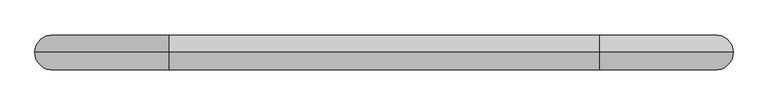
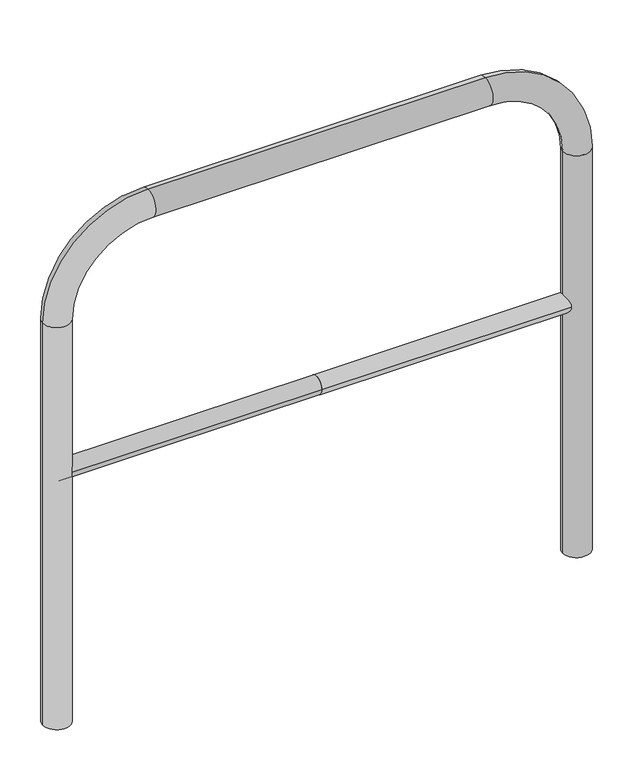
"""IFC4 building model written with IfcOpenShell, lengths in millimetres: proxy geometry."""

import ifcopenshell
import ifcopenshell.guid

model = None  # the IFC model being written
_history = None  # IfcOwnerHistory: only IFC2X3 demands one
_inside = {}  # id of a spatial element -> (the spatial element, [elements in it])
_under = {}  # id of a project, library or spatial element -> (it, [spatial elements below it])
_declared = {}  # id of a project -> (the project, [libraries it declares])
_typed = {}  # id of a type object -> (the type object, [elements of that type])
_made_of = {}  # id of a material, layer set ... -> (it, [elements and type objects made of it])


def new_model(schema):
    """Start an empty IFC model of exactly this schema.

    Asked for "IFC4X3", IfcOpenShell would pick the latest addendum, in which some entities
    have other attributes; the version numbers below select the first issue.
    IFC2X3 requires an IfcOwnerHistory on every rooted entity: one is made here for all.
    """
    global model, _history
    if schema == "IFC4X3":
        model = ifcopenshell.file(schema_version=(4, 3, 0, 0))
    else:
        model = ifcopenshell.file(schema=schema)
    _inside.clear()
    _under.clear()
    _declared.clear()
    _typed.clear()
    _made_of.clear()
    _history = None
    if model.schema == "IFC2X3":
        org = make("IfcOrganization", Name="unknown")
        user = make(
            "IfcPersonAndOrganization",
            ThePerson=make("IfcPerson", FamilyName="unknown"),
            TheOrganization=org,
        )
        app = make(
            "IfcApplication",
            ApplicationDeveloper=org,
            Version="unknown",
            ApplicationFullName="unknown",
            ApplicationIdentifier="unknown",
        )
        _history = make(
            "IfcOwnerHistory",
            OwningUser=user,
            OwningApplication=app,
            ChangeAction="ADDED",
            CreationDate=0,
        )
    return model


def make(cls, **values):
    """One entity of the class cls with the attributes given. An attribute that is None is left unset."""
    return model.create_entity(
        cls, **{name: value for name, value in values.items() if value is not None}
    )


def rooted(cls, **values):
    """An entity with a GlobalId (a new one), such as an element, a storey or a relation."""
    return make(cls, GlobalId=ifcopenshell.guid.new(), OwnerHistory=_history, **values)


def si_unit(unit_type, name, prefix=None):
    """IfcSIUnit, for example si_unit("LENGTHUNIT", "METRE", prefix="MILLI")."""
    return make("IfcSIUnit", UnitType=unit_type, Prefix=prefix, Name=name)


def assignment(units):
    """IfcUnitAssignment: the units of a project."""
    return None if units is None else make("IfcUnitAssignment", Units=units)


def point(xyz):
    """IfcCartesianPoint."""
    return None if xyz is None else make("IfcCartesianPoint", Coordinates=xyz)


def direction(xyz):
    """IfcDirection."""
    return None if xyz is None else make("IfcDirection", DirectionRatios=xyz)


def frame(location, z_axis=None, x_axis=None):
    """IfcAxis2Placement3D, a coordinate frame: its origin and axes. An axis left out is left unset."""
    return make(
        "IfcAxis2Placement3D",
        Location=point(location),
        Axis=direction(z_axis),
        RefDirection=direction(x_axis),
    )


def frame_2d(location, x_axis=None):
    """IfcAxis2Placement2D, a coordinate frame in the plane: its origin and x axis."""
    return make(
        "IfcAxis2Placement2D", Location=point(location), RefDirection=direction(x_axis)
    )


def origin():
    """The frame at (0, 0, 0) with its axes left unset."""
    return frame((0.0, 0.0, 0.0))


def place(relative_to, where):
    """IfcLocalPlacement: puts the frame where relative to a parent placement (None: the world)."""
    return make(
        "IfcLocalPlacement", PlacementRelTo=relative_to, RelativePlacement=where
    )


def context(
    kind, dimensions, precision=None, world=None, true_north=None, identifier=None
):
    """IfcGeometricRepresentationContext, for example the 3D "Model" context."""
    return make(
        "IfcGeometricRepresentationContext",
        ContextIdentifier=identifier,
        ContextType=kind,
        CoordinateSpaceDimension=dimensions,
        Precision=precision,
        WorldCoordinateSystem=world,
        TrueNorth=true_north,
    )


def project(units=None, contexts=None):
    """IfcProject with its units and contexts."""
    return rooted(
        "IfcProject",
        Name="project",
        RepresentationContexts=contexts,
        UnitsInContext=assignment(units),
    )


def spatial(cls, under=None, at=None, **own):
    """A site, building, storey or space (cls), placed at a placement, below another one or the project."""
    s = rooted(cls, ObjectPlacement=at, **own)
    if under is not None:
        _under.setdefault(under.id(), (under, []))[1].append(s)
    return s


def circle_curve(where, radius):
    """IfcCircle in the frame where."""
    return make("IfcCircle", Position=where, Radius=radius)


def ellipse_curve(where, semi_axis1, semi_axis2):
    """IfcEllipse in the frame where."""
    return make(
        "IfcEllipse", Position=where, SemiAxis1=semi_axis1, SemiAxis2=semi_axis2
    )


def trimmed(basis, trim1, trim2, sense, master):
    """IfcTrimmedCurve: the piece of a basis curve between two trims."""
    return make(
        "IfcTrimmedCurve",
        BasisCurve=basis,
        Trim1=trim1,
        Trim2=trim2,
        SenseAgreement=sense,
        MasterRepresentation=master,
    )


def segment(curve, same_sense, transition):
    """IfcCompositeCurveSegment."""
    return make(
        "IfcCompositeCurveSegment",
        Transition=transition,
        SameSense=same_sense,
        ParentCurve=curve,
    )


def composite_curve(segments, self_intersect=None):
    """IfcCompositeCurve: segments joined end to end."""
    return make("IfcCompositeCurve", Segments=segments, SelfIntersect=self_intersect)


def outline(outer, holes=None, kind="AREA"):
    """IfcArbitraryClosedProfileDef: a profile drawn as a closed curve; with holes, ...WithVoids."""
    if holes is None:
        return make("IfcArbitraryClosedProfileDef", ProfileType=kind, OuterCurve=outer)
    return make(
        "IfcArbitraryProfileDefWithVoids",
        ProfileType=kind,
        OuterCurve=outer,
        InnerCurves=holes,
    )


def extrude(swept, where, along, depth):
    """IfcExtrudedAreaSolid: the profile swept, set in the frame where, extruded along a direction by depth."""
    return make(
        "IfcExtrudedAreaSolid",
        SweptArea=swept,
        Position=where,
        ExtrudedDirection=direction(along),
        Depth=depth,
    )


def shape(context_of_items, identifier, shape_type, items):
    """IfcShapeRepresentation: the items that make up one representation, for example the "Body"."""
    return make(
        "IfcShapeRepresentation",
        ContextOfItems=context_of_items,
        RepresentationIdentifier=identifier,
        RepresentationType=shape_type,
        Items=items,
    )


def source(mapping_origin, context_of_items, identifier, shape_type, items):
    """IfcRepresentationMap: a shape defined once, which mapped items show again and again."""
    return make(
        "IfcRepresentationMap",
        MappingOrigin=mapping_origin,
        MappedRepresentation=shape(context_of_items, identifier, shape_type, items),
    )


def transform(
    local_origin,
    x_axis=None,
    y_axis=None,
    z_axis=None,
    scale=None,
    scale2=None,
    scale3=None,
    uniform=True,
):
    """IfcCartesianTransformationOperator3D, or its non-uniform kind. x_axis, y_axis, z_axis: its Axis1, 2, 3."""
    if uniform:
        return make(
            "IfcCartesianTransformationOperator3D",
            Axis1=direction(x_axis),
            Axis2=direction(y_axis),
            LocalOrigin=point(local_origin),
            Scale=scale,
            Axis3=direction(z_axis),
        )
    return make(
        "IfcCartesianTransformationOperator3DnonUniform",
        Axis1=direction(x_axis),
        Axis2=direction(y_axis),
        LocalOrigin=point(local_origin),
        Scale=scale,
        Axis3=direction(z_axis),
        Scale2=scale2,
        Scale3=scale3,
    )


def mapped(mapping_source, mapping_target):
    """IfcMappedItem: shows the shape of a source again, moved by a transform."""
    return make(
        "IfcMappedItem", MappingSource=mapping_source, MappingTarget=mapping_target
    )


def made_of(thing, what):
    """Note that an element or type object is made of a material, layer set ...; save() writes the relation."""
    if what is not None:
        _made_of.setdefault(what.id(), (what, []))[1].append(thing)
    return thing


def element(
    cls,
    number,
    at=None,
    inside=None,
    cuts=None,
    type_object=None,
    material=None,
    context=None,
    identifier="Body",
    shape_type=None,
    held_by="IfcProductDefinitionShape",
    body=None,
    shapes=None,
    **own,
):
    """One element of the class cls, such as IfcWall. Its Tag is "e" and its number.

    at: its placement. inside: the storey or other place that contains it. cuts: it is an
    opening in that element (IfcRelVoidsElement). A single representation is given by context,
    identifier, shape_type and body (its items); several are given by shapes. held_by: the class
    of the entity that holds the representations. save() writes the other relations.
    """
    e = rooted(cls, Tag="e%d" % number, ObjectPlacement=at, **own)
    if body is not None:
        shapes = [shape(context, identifier, shape_type, body)]
    if shapes is not None:
        e.Representation = make(held_by, Representations=shapes)
    if inside is not None:
        _inside.setdefault(inside.id(), (inside, []))[1].append(e)
    if cuts is not None:
        rooted(
            "IfcRelVoidsElement", RelatingBuildingElement=cuts, RelatedOpeningElement=e
        )
    if type_object is not None:
        _typed.setdefault(type_object.id(), (type_object, []))[1].append(e)
    return made_of(e, material)


def aggregate(whole, parts):
    """IfcRelAggregates: a whole, such as a stair, and the parts it consists of."""
    return rooted("IfcRelAggregates", RelatingObject=whole, RelatedObjects=parts)


def save(model, path):
    """Write the relations noted so far, then the file.

    IfcRelAggregates (storeys below a building ...), IfcRelContainedInSpatialStructure (elements
    in a storey), IfcRelDefinesByType, IfcRelAssociatesMaterial and IfcRelDeclares: one each for
    every whole, place, type object, material and project.
    """
    for whole, parts in _under.values():
        aggregate(whole, parts)
    for where, things in _inside.values():
        rooted(
            "IfcRelContainedInSpatialStructure",
            RelatedElements=things,
            RelatingStructure=where,
        )
    for kind, things in _typed.values():
        rooted("IfcRelDefinesByType", RelatedObjects=things, RelatingType=kind)
    for what, things in _made_of.values():
        rooted("IfcRelAssociatesMaterial", RelatedObjects=things, RelatingMaterial=what)
    for by, libraries in _declared.values():
        rooted("IfcRelDeclares", RelatingContext=by, RelatedDefinitions=libraries)
    model.write(path)


def plane_surface(at):
    """IfcPlane: the flat surface through the origin of the frame at, square to its z axis."""
    return make("IfcPlane", Position=at)


def cylinder_surface(at, radius):
    """IfcCylindricalSurface: all points at the distance radius from the z axis of the frame at."""
    return make("IfcCylindricalSurface", Position=at, Radius=radius)


def revolved_surface(curve, axis_point, axis_direction):
    """IfcSurfaceOfRevolution: the curve turned about the line through axis_point along axis_direction."""
    return make(
        "IfcSurfaceOfRevolution",
        SweptCurve=make("IfcArbitraryOpenProfileDef", ProfileType="CURVE", Curve=curve),
        AxisPosition=make("IfcAxis1Placement", Location=point(axis_point), Axis=direction(axis_direction)),
    )


def advanced_brep(points, edges, surfaces, faces):
    """IfcAdvancedBrep: a solid bounded by faces that lie on surfaces and meet in shared edges.

    An edge is (start, end): straight between two places in points (the first is 0);
    or (start, end, curve); or (start, end, curve, False) where it runs against its curve.
    A face is (place in surfaces, loops), or (place, loops, False) where it looks against
    its surface's normal. A loop lists edges by number (the first is 1), with a minus sign
    where the edge is run from its end to its start. The first loop is the outer one.
    """
    corners = [point(p) for p in points]
    vertices = [make("IfcVertexPoint", VertexGeometry=c) for c in corners]
    made = []
    for start, end, *more in edges:
        made.append(
            make(
                "IfcEdgeCurve",
                EdgeStart=vertices[start],
                EdgeEnd=vertices[end],
                EdgeGeometry=more[0] if more else make("IfcPolyline", Points=[corners[start], corners[end]]),
                SameSense=more[1] if len(more) > 1 else True,
            )
        )
    hull = []
    for where, loops, *sense in faces:
        bounds = []
        for j, loop in enumerate(loops):
            ring = [make("IfcOrientedEdge", EdgeElement=made[abs(k) - 1], Orientation=k > 0) for k in loop]
            bounds.append(
                make(
                    "IfcFaceOuterBound" if j == 0 else "IfcFaceBound",
                    Bound=make("IfcEdgeLoop", EdgeList=ring),
                    Orientation=True,
                )
            )
        hull.append(make("IfcAdvancedFace", Bounds=bounds, FaceSurface=surfaces[where], SameSense=sense[0] if sense else True))
    return make("IfcAdvancedBrep", Outer=make("IfcClosedShell", CfsFaces=hull))


def generic_models_d70e332a(model_context):
    return source(origin(), model_context, "Body", "SolidModel", [
        extrude(outline(composite_curve([segment(trimmed(circle_curve(frame_2d((0.0, 498.4778375)), 20.0), [point((-20.0, 498.4778375))], [point((20.0, 498.4778375))], False, "CARTESIAN"), True, "CONTINUOUS"), segment(trimmed(circle_curve(frame_2d((0.0, 498.4778375)), 20.0), [point((20.0, 498.4778375))], [point((-20.0, 498.4778375))], False, "CARTESIAN"), True, "CONTINUOUS")], self_intersect=False)), frame((-569.0419967, 0.0, 0.0), z_axis=(1.0, 0.0, 0.0), x_axis=(0.0, 1.0, 0.0)), (0.0, 0.0, 1.0), 569.0419967),
        extrude(outline(composite_curve([segment(trimmed(circle_curve(frame_2d((0.0, 498.4778375)), 20.0), [point((-20.0, 498.4778375))], [point((20.0, 498.4778375))], False, "CARTESIAN"), True, "CONTINUOUS"), segment(trimmed(circle_curve(frame_2d((0.0, 498.4778375)), 20.0), [point((20.0, 498.4778375))], [point((-20.0, 498.4778375))], False, "CARTESIAN"), True, "CONTINUOUS")], self_intersect=False)), frame((0.0, 0.0, 0.0), z_axis=(1.0, 0.0, 0.0), x_axis=(0.0, 1.0, 0.0)), (0.0, 0.0, 1.0), 569.0419967),
        advanced_brep(
        [(-539.0419967, 0.0, -80.0), (-599.0419967, 0.0, -80.0), (-539.0419967, 0.0, 850.0), (-599.0419967, 0.0, 850.0), (-369.0419967, 0.0, 1080.0), (-369.0419967, 0.0, 1020.0), (369.0419967, 0.0, 1020.0), (369.0419967, 0.0, 1080.0), (599.0419967, 0.0, 850.0), (539.0419967, 0.0, 850.0), (539.0419967, 0.0, -80.0), (599.0419967, 0.0, -80.0)],
        [
            (0, 1, circle_curve(frame((-569.0419967, 0.0, -80.0), z_axis=(0.0, 0.0, -1.0), x_axis=(-1.0, 0.0, 0.0)), 30.0)),
            (1, 0, circle_curve(frame((-569.0419967, 0.0, -80.0), z_axis=(0.0, 0.0, -1.0), x_axis=(-1.0, 0.0, 0.0)), 30.0)),
            (0, 2),
            (2, 3, circle_curve(frame((-569.0419967, 0.0, 850.0), z_axis=(0.0, 0.0, -1.0), x_axis=(-1.0, 0.0, 0.0)), 30.0)),
            (3, 1),
            (3, 2, circle_curve(frame((-569.0419967, 0.0, 850.0), z_axis=(0.0, 0.0, -1.0), x_axis=(-1.0, 0.0, 0.0)), 30.0)),
            (4, 3, circle_curve(frame((-369.0419967, 0.0, 850.0), z_axis=(0.0, -1.0, 0.0), x_axis=(-1.0, 0.0, 0.0)), 230.0)),
            (2, 5, circle_curve(frame((-369.0419967, 0.0, 850.0), z_axis=(0.0, 1.0, 0.0), x_axis=(-1.0, 0.0, 0.0)), 170.0)),
            (5, 4, circle_curve(frame((-369.0419967, 0.0, 1050.0), z_axis=(-1.0, 0.0, 0.0), x_axis=(0.0, 0.0, 1.0)), 30.0)),
            (4, 5, circle_curve(frame((-369.0419967, 0.0, 1050.0), z_axis=(-1.0, 0.0, 0.0), x_axis=(0.0, 0.0, 1.0)), 30.0)),
            (5, 6),
            (6, 7, circle_curve(frame((369.0419967, 0.0, 1050.0), z_axis=(-1.0, 0.0, 0.0), x_axis=(0.0, 0.0, 1.0)), 30.0)),
            (7, 4),
            (7, 6, circle_curve(frame((369.0419967, 0.0, 1050.0), z_axis=(-1.0, 0.0, 0.0), x_axis=(0.0, 0.0, 1.0)), 30.0)),
            (8, 7, circle_curve(frame((369.0419967, 0.0, 850.0), z_axis=(0.0, -1.0, 0.0), x_axis=(0.0, 0.0, 1.0)), 230.0)),
            (6, 9, circle_curve(frame((369.0419967, 0.0, 850.0), z_axis=(0.0, 1.0, 0.0), x_axis=(0.0, 0.0, 1.0)), 170.0)),
            (9, 8, circle_curve(frame((569.0419967, 0.0, 850.0), z_axis=(0.0, 0.0, 1.0), x_axis=(1.0, 0.0, 0.0)), 30.0)),
            (8, 9, circle_curve(frame((569.0419967, 0.0, 850.0), z_axis=(0.0, 0.0, 1.0), x_axis=(1.0, 0.0, 0.0)), 30.0)),
            (10, 11, circle_curve(frame((569.0419967, 0.0, -80.0), z_axis=(0.0, 0.0, -1.0), x_axis=(1.0, 0.0, 0.0)), 30.0)),
            (11, 10, circle_curve(frame((569.0419967, 0.0, -80.0), z_axis=(0.0, 0.0, -1.0), x_axis=(1.0, 0.0, 0.0)), 30.0)),
            (9, 10),
            (11, 8),
        ],
        [
            plane_surface(frame((-569.0419967, 0.0, -80.0), z_axis=(0.0, 0.0, -1.0), x_axis=(0.0, -1.0, 0.0))),
            cylinder_surface(frame((-569.0419967, 0.0, -80.0), z_axis=(0.0, 0.0, -1.0), x_axis=(-1.0, 0.0, 0.0)), 30.0),
            revolved_surface(trimmed(ellipse_curve(frame((-569.0419967, 0.0, 850.0), z_axis=(0.0, 0.0, -1.0), x_axis=(-1.0, 0.0, 0.0)), 30.0, 30.0), [point((-539.0419967, 0.0, 850.0))], [point((-599.0419967, 0.0, 850.0))], True, "CARTESIAN"), (-369.0419967, 0.0, 850.0), (0.0, 1.0, 0.0)),
            revolved_surface(trimmed(ellipse_curve(frame((-569.0419967, 0.0, 850.0), z_axis=(0.0, 0.0, -1.0), x_axis=(-1.0, 0.0, 0.0)), 30.0, 30.0), [point((-599.0419967, 0.0, 850.0))], [point((-539.0419967, 0.0, 850.0))], True, "CARTESIAN"), (-369.0419967, 0.0, 850.0), (0.0, 1.0, 0.0)),
            cylinder_surface(frame((-369.0419967, 0.0, 1050.0), z_axis=(-1.0, 0.0, 0.0), x_axis=(0.0, 0.0, 1.0)), 30.0),
            revolved_surface(trimmed(ellipse_curve(frame((369.0419967, 0.0, 1050.0), z_axis=(-1.0, 0.0, 0.0), x_axis=(0.0, 0.0, 1.0)), 30.0, 30.0), [point((369.0419967, 0.0, 1020.0))], [point((369.0419967, 0.0, 1080.0))], True, "CARTESIAN"), (369.0419967, 0.0, 850.0), (0.0, 1.0, 0.0)),
            revolved_surface(trimmed(ellipse_curve(frame((369.0419967, 0.0, 1050.0), z_axis=(-1.0, 0.0, 0.0), x_axis=(0.0, 0.0, 1.0)), 30.0, 30.0), [point((369.0419967, 0.0, 1080.0))], [point((369.0419967, 0.0, 1020.0))], True, "CARTESIAN"), (369.0419967, 0.0, 850.0), (0.0, 1.0, 0.0)),
            plane_surface(frame((569.0419967, 0.0, -80.0), z_axis=(0.0, 0.0, -1.0), x_axis=(0.0, -1.0, 0.0))),
            cylinder_surface(frame((569.0419967, 0.0, 850.0), z_axis=(0.0, 0.0, 1.0), x_axis=(1.0, 0.0, 0.0)), 30.0),
        ],
        [
            (0, [[1, 2]]),
            (1, [[-1, 3, 4, 5]]),
            (1, [[-2, -5, 6, -3]]),
            (2, [[7, -4, 8, 9]]),
            (3, [[-8, -6, -7, 10]]),
            (4, [[-9, 11, 12, 13]]),
            (4, [[-10, -13, 14, -11]]),
            (5, [[15, -12, 16, 17]]),
            (6, [[-16, -14, -15, 18]]),
            (7, [[19, 20]]),
            (8, [[-17, 21, -20, 22]]),
            (8, [[-18, -22, -19, -21]]),
        ],
    ),
    ])


if __name__ == "__main__":
    model = new_model("IFC4")
    model_context = context("Model", 3, world=origin())
    ifc_project = project(units=[si_unit("LENGTHUNIT", "METRE", prefix="MILLI")], contexts=[model_context])
    site = spatial("IfcSite", under=ifc_project)
    building = spatial("IfcBuilding", under=site)
    placement = place(None, origin())
    generic_models_shape = generic_models_d70e332a(model_context)
    element("IfcBuildingElementProxy", 1, Name="Generic Models", at=placement, inside=building, context=model_context, shape_type="MappedRepresentation", body=[
        mapped(generic_models_shape, transform((0.0, 0.0, 0.0), x_axis=(1.0, 0.0, 0.0), y_axis=(0.0, 1.0, 0.0), z_axis=(0.0, 0.0, 1.0))),
    ])
    save(model, "model.ifc")
